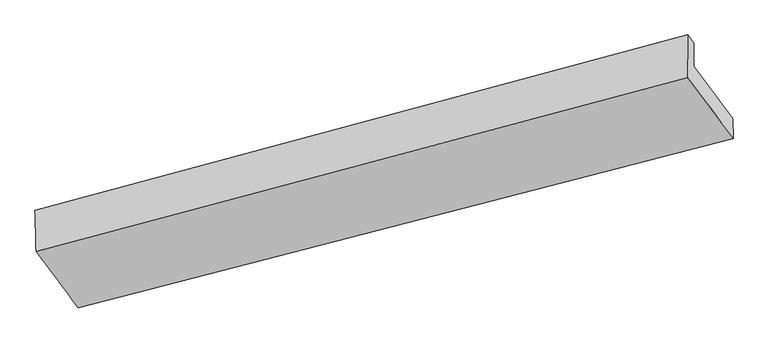
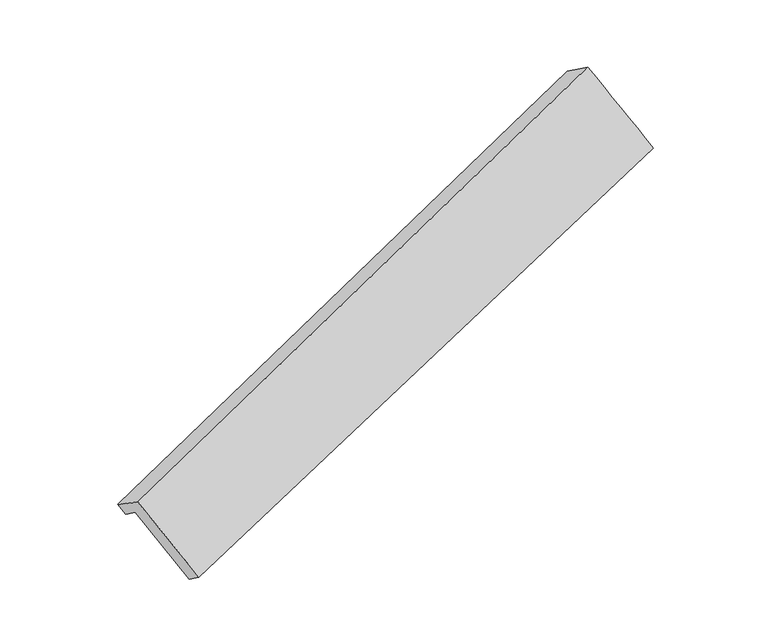
"""IFC4 building model written with IfcOpenShell, lengths in millimetres: proxy geometry."""

from ifc_helpers import new_model, si_unit, frame, origin, place, context, project, spatial, source, transform, mapped, element, save
from ifc_brep_helpers import plane_surface, spline_surface, advanced_brep


def generic_models_8666167b(model_context):
    return source(origin(), model_context, "Body", "AdvancedBrep", [
        advanced_brep(
        [(-5364.9386036, -2039.2995567, 1235.1468834), (-5366.2026885, -1891.1080665, 1126.721588), (-519.1050643, -593.5575233, 2798.0769242), (-517.6565158, -763.3740967, 2922.3243564), (-5407.4611469, -1835.5773021, 1203.0998988), (-565.1727025, -531.4566756, 2883.4910386), (-5398.5252905, -2138.3361135, 1406.3883756), (-562.4503895, -850.5994956, 3116.9940182), (-5086.7242221, -2557.9967676, 829.1773059), (-227.3759345, -1302.2920188, 2495.7316971), (-5087.9689049, -2412.0798218, 722.4161962), (-228.649699, -1152.9657721, 2386.4761495)],
        [
            (0, 1),
            (1, 2),
            (2, 3),
            (3, 0),
            (1, 4),
            (4, 5),
            (5, 2),
            (4, 6),
            (6, 7),
            (7, 5),
            (6, 8),
            (8, 9),
            (9, 7),
            (8, 10),
            (10, 11),
            (11, 9),
            (10, 0),
            (3, 11),
        ],
        [
            plane_surface(frame((-5365.5706461, -1965.2038116, 1180.9342357), z_axis=(0.39990653410132515, -0.538986765764887, -0.7413285576000515), x_axis=(-0.006884034119534023, 0.8070306730990797, -0.5904693918836839))),
            spline_surface(1, 1, [[(-5366.2026885, -1891.1080665, 1126.721588), (-519.1050643, -593.5575233, 2798.0769242)], [(-5407.4611469, -1835.5773021, 1203.0998988), (-565.1727025, -531.4566756, 2883.4910386)]], [2, 2], [2, 2], [0.0, 1.0], [0.0, 1.0]),
            spline_surface(1, 1, [[(-5407.4611469, -1835.5773021, 1203.0998988), (-565.1727025, -531.4566756, 2883.4910386)], [(-5398.5252905, -2138.3361135, 1406.3883756), (-562.4503895, -850.5994956, 3116.9940182)]], [2, 2], [2, 2], [0.0, 1.0], [0.0, 1.0]),
            spline_surface(1, 1, [[(-5398.5252905, -2138.3361135, 1406.3883756), (-562.4503895, -850.5994956, 3116.9940182)], [(-5086.7242221, -2557.9967676, 829.1773059), (-227.3759345, -1302.2920188, 2495.7316971)]], [2, 2], [2, 2], [0.0, 1.0], [0.0, 1.0]),
            plane_surface(frame((-5087.3465635, -2485.0382947, 775.796751), z_axis=(0.3945249177129385, -0.5403921600313174, -0.7431866539976928), x_axis=(-0.006884034119627802, 0.807030673099059, -0.5904693918837112))),
            spline_surface(1, 1, [[(-5087.9689049, -2412.0798218, 722.4161962), (-228.649699, -1152.9657721, 2386.4761495)], [(-5364.9386036, -2039.2995567, 1235.1468834), (-517.6565158, -763.3740967, 2922.3243564)]], [2, 2], [2, 2], [0.0, 1.0], [0.0, 1.0]),
            plane_surface(frame((-436.7350509, -865.707597, 2767.182364), z_axis=(0.9165576251675991, 0.24119876078691246, 0.3189753556969391), x_axis=(-0.006884034119627802, 0.807030673099059, -0.5904693918837112))),
            plane_surface(frame((-5285.3034761, -2145.732938, 1087.1583746), z_axis=(-0.9163285359281759, -0.24150733932592117, -0.3193997797360548), x_axis=(0.4003681110153093, -0.5388651943937081, -0.7411677798940428))),
        ],
        [
            (0, [[1, 2, 3, 4]]),
            (1, [[5, 6, 7, -2]]),
            (2, [[8, 9, 10, -6]]),
            (3, [[11, 12, 13, -9]]),
            (4, [[14, 15, 16, -12]]),
            (5, [[17, -4, 18, -15]]),
            (6, [[-16, -18, -3, -7, -10, -13]]),
            (7, [[-17, -14, -11, -8, -5, -1]]),
        ],
    ),
    ])


if __name__ == "__main__":
    model = new_model("IFC4")
    model_context = context("Model", 3, world=origin())
    ifc_project = project(units=[si_unit("LENGTHUNIT", "METRE", prefix="MILLI")], contexts=[model_context])
    site = spatial("IfcSite", under=ifc_project)
    building = spatial("IfcBuilding", under=site)
    placement = place(None, origin())
    generic_models_shape = generic_models_8666167b(model_context)
    element("IfcBuildingElementProxy", 1, Name="Generic Models", at=placement, inside=building, context=model_context, shape_type="MappedRepresentation", body=[
        mapped(generic_models_shape, transform((0.0, 0.0, 0.0), x_axis=(1.0, 0.0, 0.0), y_axis=(0.0, 1.0, 0.0), z_axis=(0.0, 0.0, 1.0))),
    ])
    save(model, "model.ifc")
